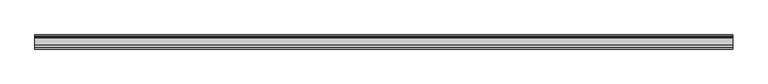
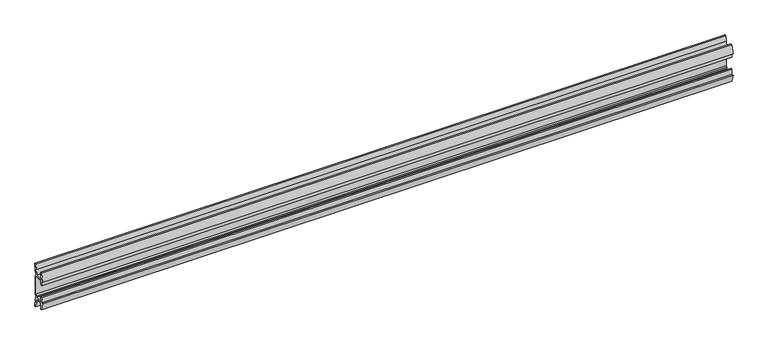
"""IFC4 building model written with IfcOpenShell, lengths in millimetres: furniture geometry."""

import ifcopenshell
import ifcopenshell.guid

model = None  # the IFC model being written
_history = None  # IfcOwnerHistory: only IFC2X3 demands one
_inside = {}  # id of a spatial element -> (the spatial element, [elements in it])
_under = {}  # id of a project, library or spatial element -> (it, [spatial elements below it])
_declared = {}  # id of a project -> (the project, [libraries it declares])
_typed = {}  # id of a type object -> (the type object, [elements of that type])
_made_of = {}  # id of a material, layer set ... -> (it, [elements and type objects made of it])


def new_model(schema):
    """Start an empty IFC model of exactly this schema.

    Asked for "IFC4X3", IfcOpenShell would pick the latest addendum, in which some entities
    have other attributes; the version numbers below select the first issue.
    IFC2X3 requires an IfcOwnerHistory on every rooted entity: one is made here for all.
    """
    global model, _history
    if schema == "IFC4X3":
        model = ifcopenshell.file(schema_version=(4, 3, 0, 0))
    else:
        model = ifcopenshell.file(schema=schema)
    _inside.clear()
    _under.clear()
    _declared.clear()
    _typed.clear()
    _made_of.clear()
    _history = None
    if model.schema == "IFC2X3":
        org = make("IfcOrganization", Name="unknown")
        user = make(
            "IfcPersonAndOrganization",
            ThePerson=make("IfcPerson", FamilyName="unknown"),
            TheOrganization=org,
        )
        app = make(
            "IfcApplication",
            ApplicationDeveloper=org,
            Version="unknown",
            ApplicationFullName="unknown",
            ApplicationIdentifier="unknown",
        )
        _history = make(
            "IfcOwnerHistory",
            OwningUser=user,
            OwningApplication=app,
            ChangeAction="ADDED",
            CreationDate=0,
        )
    return model


def make(cls, **values):
    """One entity of the class cls with the attributes given. An attribute that is None is left unset."""
    return model.create_entity(
        cls, **{name: value for name, value in values.items() if value is not None}
    )


def rooted(cls, **values):
    """An entity with a GlobalId (a new one), such as an element, a storey or a relation."""
    return make(cls, GlobalId=ifcopenshell.guid.new(), OwnerHistory=_history, **values)


def si_unit(unit_type, name, prefix=None):
    """IfcSIUnit, for example si_unit("LENGTHUNIT", "METRE", prefix="MILLI")."""
    return make("IfcSIUnit", UnitType=unit_type, Prefix=prefix, Name=name)


def assignment(units):
    """IfcUnitAssignment: the units of a project."""
    return None if units is None else make("IfcUnitAssignment", Units=units)


def point(xyz):
    """IfcCartesianPoint."""
    return None if xyz is None else make("IfcCartesianPoint", Coordinates=xyz)


def direction(xyz):
    """IfcDirection."""
    return None if xyz is None else make("IfcDirection", DirectionRatios=xyz)


def frame(location, z_axis=None, x_axis=None):
    """IfcAxis2Placement3D, a coordinate frame: its origin and axes. An axis left out is left unset."""
    return make(
        "IfcAxis2Placement3D",
        Location=point(location),
        Axis=direction(z_axis),
        RefDirection=direction(x_axis),
    )


def frame_2d(location, x_axis=None):
    """IfcAxis2Placement2D, a coordinate frame in the plane: its origin and x axis."""
    return make(
        "IfcAxis2Placement2D", Location=point(location), RefDirection=direction(x_axis)
    )


def origin():
    """The frame at (0, 0, 0) with its axes left unset."""
    return frame((0.0, 0.0, 0.0))


def place(relative_to, where):
    """IfcLocalPlacement: puts the frame where relative to a parent placement (None: the world)."""
    return make(
        "IfcLocalPlacement", PlacementRelTo=relative_to, RelativePlacement=where
    )


def context(
    kind, dimensions, precision=None, world=None, true_north=None, identifier=None
):
    """IfcGeometricRepresentationContext, for example the 3D "Model" context."""
    return make(
        "IfcGeometricRepresentationContext",
        ContextIdentifier=identifier,
        ContextType=kind,
        CoordinateSpaceDimension=dimensions,
        Precision=precision,
        WorldCoordinateSystem=world,
        TrueNorth=true_north,
    )


def project(units=None, contexts=None):
    """IfcProject with its units and contexts."""
    return rooted(
        "IfcProject",
        Name="project",
        RepresentationContexts=contexts,
        UnitsInContext=assignment(units),
    )


def spatial(cls, under=None, at=None, **own):
    """A site, building, storey or space (cls), placed at a placement, below another one or the project."""
    s = rooted(cls, ObjectPlacement=at, **own)
    if under is not None:
        _under.setdefault(under.id(), (under, []))[1].append(s)
    return s


def polyline(points):
    """IfcPolyline through the points."""
    return make("IfcPolyline", Points=[point(p) for p in points])


def circle_curve(where, radius):
    """IfcCircle in the frame where."""
    return make("IfcCircle", Position=where, Radius=radius)


def trimmed(basis, trim1, trim2, sense, master):
    """IfcTrimmedCurve: the piece of a basis curve between two trims."""
    return make(
        "IfcTrimmedCurve",
        BasisCurve=basis,
        Trim1=trim1,
        Trim2=trim2,
        SenseAgreement=sense,
        MasterRepresentation=master,
    )


def segment(curve, same_sense, transition):
    """IfcCompositeCurveSegment."""
    return make(
        "IfcCompositeCurveSegment",
        Transition=transition,
        SameSense=same_sense,
        ParentCurve=curve,
    )


def composite_curve(segments, self_intersect=None):
    """IfcCompositeCurve: segments joined end to end."""
    return make("IfcCompositeCurve", Segments=segments, SelfIntersect=self_intersect)


def outline(outer, holes=None, kind="AREA"):
    """IfcArbitraryClosedProfileDef: a profile drawn as a closed curve; with holes, ...WithVoids."""
    if holes is None:
        return make("IfcArbitraryClosedProfileDef", ProfileType=kind, OuterCurve=outer)
    return make(
        "IfcArbitraryProfileDefWithVoids",
        ProfileType=kind,
        OuterCurve=outer,
        InnerCurves=holes,
    )


def extrude(swept, where, along, depth):
    """IfcExtrudedAreaSolid: the profile swept, set in the frame where, extruded along a direction by depth."""
    return make(
        "IfcExtrudedAreaSolid",
        SweptArea=swept,
        Position=where,
        ExtrudedDirection=direction(along),
        Depth=depth,
    )


def shape(context_of_items, identifier, shape_type, items):
    """IfcShapeRepresentation: the items that make up one representation, for example the "Body"."""
    return make(
        "IfcShapeRepresentation",
        ContextOfItems=context_of_items,
        RepresentationIdentifier=identifier,
        RepresentationType=shape_type,
        Items=items,
    )


def source(mapping_origin, context_of_items, identifier, shape_type, items):
    """IfcRepresentationMap: a shape defined once, which mapped items show again and again."""
    return make(
        "IfcRepresentationMap",
        MappingOrigin=mapping_origin,
        MappedRepresentation=shape(context_of_items, identifier, shape_type, items),
    )


def transform(
    local_origin,
    x_axis=None,
    y_axis=None,
    z_axis=None,
    scale=None,
    scale2=None,
    scale3=None,
    uniform=True,
):
    """IfcCartesianTransformationOperator3D, or its non-uniform kind. x_axis, y_axis, z_axis: its Axis1, 2, 3."""
    if uniform:
        return make(
            "IfcCartesianTransformationOperator3D",
            Axis1=direction(x_axis),
            Axis2=direction(y_axis),
            LocalOrigin=point(local_origin),
            Scale=scale,
            Axis3=direction(z_axis),
        )
    return make(
        "IfcCartesianTransformationOperator3DnonUniform",
        Axis1=direction(x_axis),
        Axis2=direction(y_axis),
        LocalOrigin=point(local_origin),
        Scale=scale,
        Axis3=direction(z_axis),
        Scale2=scale2,
        Scale3=scale3,
    )


def mapped(mapping_source, mapping_target):
    """IfcMappedItem: shows the shape of a source again, moved by a transform."""
    return make(
        "IfcMappedItem", MappingSource=mapping_source, MappingTarget=mapping_target
    )


def made_of(thing, what):
    """Note that an element or type object is made of a material, layer set ...; save() writes the relation."""
    if what is not None:
        _made_of.setdefault(what.id(), (what, []))[1].append(thing)
    return thing


def element(
    cls,
    number,
    at=None,
    inside=None,
    cuts=None,
    type_object=None,
    material=None,
    context=None,
    identifier="Body",
    shape_type=None,
    held_by="IfcProductDefinitionShape",
    body=None,
    shapes=None,
    **own,
):
    """One element of the class cls, such as IfcWall. Its Tag is "e" and its number.

    at: its placement. inside: the storey or other place that contains it. cuts: it is an
    opening in that element (IfcRelVoidsElement). A single representation is given by context,
    identifier, shape_type and body (its items); several are given by shapes. held_by: the class
    of the entity that holds the representations. save() writes the other relations.
    """
    e = rooted(cls, Tag="e%d" % number, ObjectPlacement=at, **own)
    if body is not None:
        shapes = [shape(context, identifier, shape_type, body)]
    if shapes is not None:
        e.Representation = make(held_by, Representations=shapes)
    if inside is not None:
        _inside.setdefault(inside.id(), (inside, []))[1].append(e)
    if cuts is not None:
        rooted(
            "IfcRelVoidsElement", RelatingBuildingElement=cuts, RelatedOpeningElement=e
        )
    if type_object is not None:
        _typed.setdefault(type_object.id(), (type_object, []))[1].append(e)
    return made_of(e, material)


def aggregate(whole, parts):
    """IfcRelAggregates: a whole, such as a stair, and the parts it consists of."""
    return rooted("IfcRelAggregates", RelatingObject=whole, RelatedObjects=parts)


def save(model, path):
    """Write the relations noted so far, then the file.

    IfcRelAggregates (storeys below a building ...), IfcRelContainedInSpatialStructure (elements
    in a storey), IfcRelDefinesByType, IfcRelAssociatesMaterial and IfcRelDeclares: one each for
    every whole, place, type object, material and project.
    """
    for whole, parts in _under.values():
        aggregate(whole, parts)
    for where, things in _inside.values():
        rooted(
            "IfcRelContainedInSpatialStructure",
            RelatedElements=things,
            RelatingStructure=where,
        )
    for kind, things in _typed.values():
        rooted("IfcRelDefinesByType", RelatedObjects=things, RelatingType=kind)
    for what, things in _made_of.values():
        rooted("IfcRelAssociatesMaterial", RelatedObjects=things, RelatingMaterial=what)
    for by, libraries in _declared.values():
        rooted("IfcRelDeclares", RelatingContext=by, RelatedDefinitions=libraries)
    model.write(path)


def furniture_078e6b2f(model_context):
    return source(origin(), model_context, "Body", "SweptSolid", [
        extrude(outline(composite_curve([segment(polyline([(11.858323, 875.9865986), (10.7166987, 870.0271626)]), True, "CONTINUOUS"), segment(trimmed(circle_curve(frame_2d((88.1501042, 855.193568)), 78.8414093), [point((10.7166987, 870.0271626))], [point((9.4546262, 859.9883112))], True, "CARTESIAN"), True, "CONTINUOUS"), segment(polyline([(9.4546262, 859.9883112), (11.4773198, 857.9656177), (11.4773198, 825.0383823), (9.4546262, 823.0156888)]), True, "CONTINUOUS"), segment(trimmed(circle_curve(frame_2d((88.1501042, 827.810432)), 78.8414093), [point((9.4546262, 823.0156888))], [point((10.7166987, 812.9768374))], True, "CARTESIAN"), True, "CONTINUOUS"), segment(polyline([(10.7166987, 812.9768374), (11.858323, 807.0174014), (11.858323, 803.4026449), (9.3183016, 803.4026449), (7.5671861, 812.543709), (6.9977776, 819.2374675), (-5.9218281, 819.2374675), (-5.9218281, 808.6725449), (-8.4618484, 808.6725449), (-11.7914971, 822.1810462), (-8.4618484, 821.1821511), (-8.4618484, 830.7072306), (-5.9218281, 830.7072306), (-5.9218281, 821.817155), (6.7782802, 821.817155), (6.7782802, 824.371689), (8.8976323, 826.2140136), (8.8976323, 856.7930348), (6.7782802, 858.6474685), (-5.2868484, 858.6474685), (-5.2868484, 852.2974144), (-8.4618484, 852.2974144), (-8.4618484, 861.8224939), (-11.858323, 860.5524837), (-8.4618484, 874.3321), (-5.2868484, 874.3321), (-5.2868484, 861.1874899), (6.7782802, 861.1874899), (7.5671861, 870.4615809), (9.3183016, 879.6026449), (11.858323, 879.6026449), (11.858323, 875.9865986)]), True, "CONTINUOUS")], self_intersect=False)), frame((-584.2, 0.0, 0.0), z_axis=(1.0, 0.0, 0.0), x_axis=(0.0, 1.0, 0.0)), (0.0, 0.0, 1.0), 1168.4),
    ])


if __name__ == "__main__":
    model = new_model("IFC4")
    model_context = context("Model", 3, world=origin())
    ifc_project = project(units=[si_unit("LENGTHUNIT", "METRE", prefix="MILLI")], contexts=[model_context])
    site = spatial("IfcSite", under=ifc_project)
    building = spatial("IfcBuilding", under=site)
    placement = place(None, origin())
    furniture_shape = furniture_078e6b2f(model_context)
    element("IfcFurniture", 1, at=placement, inside=building, context=model_context, shape_type="MappedRepresentation", body=[
        mapped(furniture_shape, transform((0.0, 0.0, 0.0), x_axis=(1.0, 0.0, 0.0), y_axis=(0.0, 1.0, 0.0), z_axis=(0.0, 0.0, 1.0))),
    ])
    save(model, "model.ifc")
